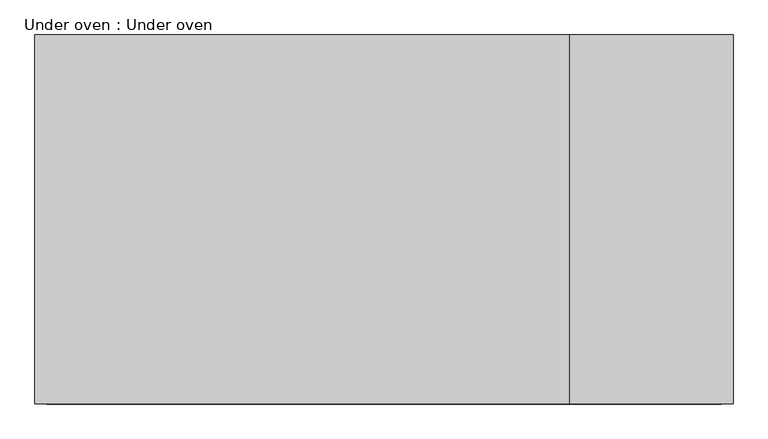
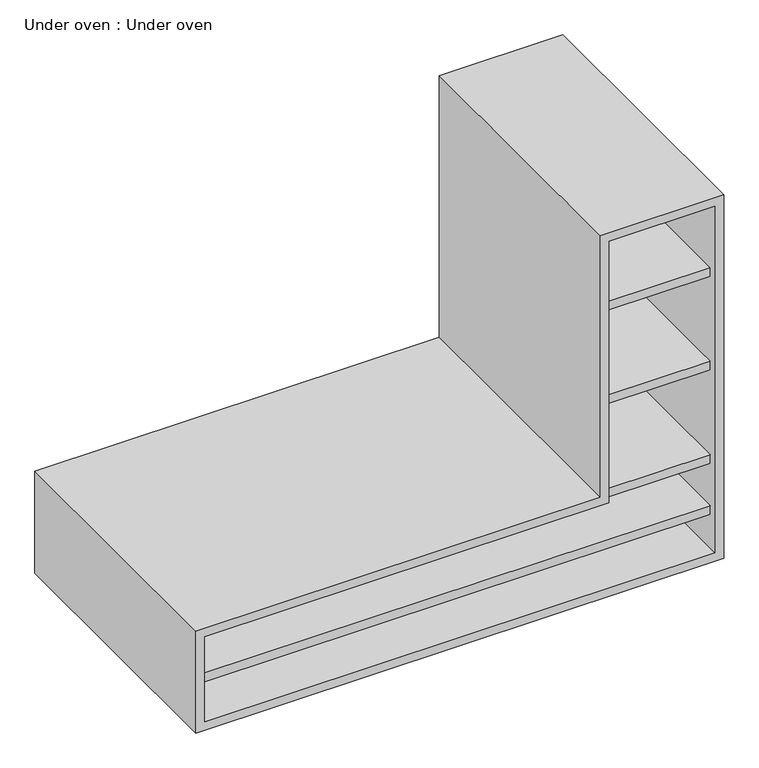
"""IFC4 building model written with IfcOpenShell, lengths in millimetres: furniture geometry, Under oven : Under oven."""

from ifc_helpers import new_model, si_unit, frame, origin, place, context, project, spatial, polyline, outline, extrude, source, transform, mapped, element, save


def under_oven_under_oven_fe66df59(model_context):
    return source(origin(), model_context, "Body", "SweptSolid", [
        extrude(outline(polyline([(3351.0, 18312.6647066), (2318.0, 18312.6647066), (2318.0, 18860.6647066), (3351.0, 18860.6647066), (3351.0, 18312.6647066)])), frame((0.0, 0.0, 1172.431939), z_axis=(0.0, 0.0, 1.0), x_axis=(1.0, 0.0, 0.0)), (0.0, 0.0, 1.0), 18.568061),
        extrude(outline(polyline([(3351.0, 18312.6647066), (3137.0, 18312.6647066), (3137.0, 18860.6647066), (3351.0, 18860.6647066), (3351.0, 18312.6647066)])), frame((0.0, 0.0, 1282.0), z_axis=(0.0, 0.0, 1.0), x_axis=(1.0, 0.0, 0.0)), (0.0, 0.0, 1.0), 18.0),
        extrude(outline(polyline([(3351.0, 18312.6647066), (3137.0, 18312.6647066), (3137.0, 18860.6647066), (3351.0, 18860.6647066), (3351.0, 18312.6647066)])), frame((0.0, 0.0, 1682.0), z_axis=(0.0, 0.0, 1.0), x_axis=(1.0, 0.0, 0.0)), (0.0, 0.0, 1.0), 18.0),
        extrude(outline(polyline([(3351.0, 18312.6647066), (3137.0, 18312.6647066), (3137.0, 18860.6647066), (3351.0, 18860.6647066), (3351.0, 18312.6647066)])), frame((0.0, 0.0, 1482.0), z_axis=(0.0, 0.0, 1.0), x_axis=(1.0, 0.0, 0.0)), (0.0, 0.0, 1.0), 18.0),
        extrude(outline(polyline([(1082.0, 3369.0), (1850.0, 3369.0), (1860.0, 3369.0), (1860.0, 3119.0), (1300.0, 3119.0), (1300.0, 2300.0), (1082.0, 2300.0), (1082.0, 3369.0)]), holes=[polyline([(1842.0, 3351.0), (1100.0, 3351.0), (1100.0, 2318.0), (1282.0, 2318.0), (1282.0, 3137.0), (1842.0, 3137.0), (1842.0, 3351.0)])]), frame((0.0, 18295.6647066, 0.0), z_axis=(0.0, 1.0, 0.0), x_axis=(0.0, 0.0, 1.0)), (0.0, 0.0, 1.0), 565.0),
    ])


if __name__ == "__main__":
    model = new_model("IFC4")
    model_context = context("Model", 3, world=origin())
    ifc_project = project(units=[si_unit("LENGTHUNIT", "METRE", prefix="MILLI")], contexts=[model_context])
    site = spatial("IfcSite", under=ifc_project)
    building = spatial("IfcBuilding", under=site)
    placement = place(None, origin())
    under_oven_under_oven_shape = under_oven_under_oven_fe66df59(model_context)
    element("IfcFurniture", 1, ObjectType="Under oven : Under oven", at=placement, inside=building, context=model_context, shape_type="MappedRepresentation", body=[
        mapped(under_oven_under_oven_shape, transform((0.0, 0.0, 0.0), x_axis=(1.0, 0.0, 0.0), y_axis=(0.0, 1.0, 0.0), z_axis=(0.0, 0.0, 1.0))),
    ])
    save(model, "model.ifc")
